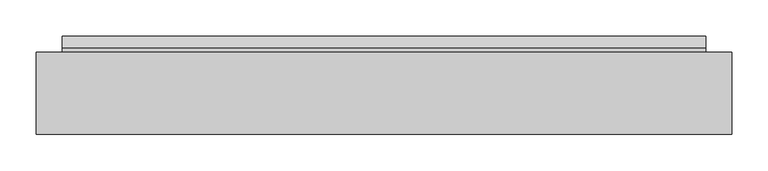
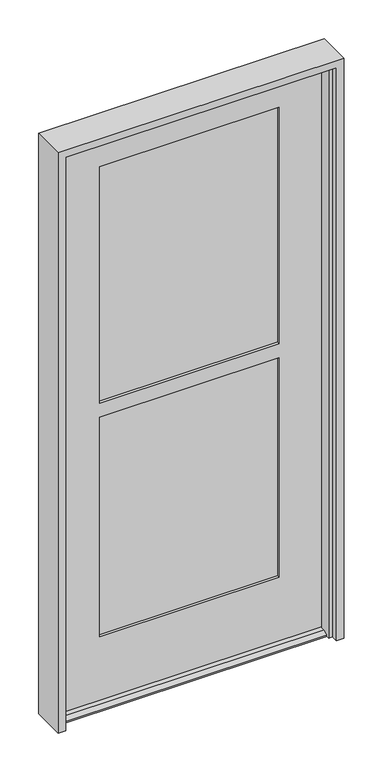
"""IFC4 building model written with IfcOpenShell, lengths in millimetres: plate geometry."""

from ifc_helpers import new_model, si_unit, frame, origin, place, context, project, spatial, polyline, outline, extrude, faceted_brep, source, transform, mapped, element, save


def plate_fd8e942f(model_context):
    return source(origin(), model_context, "Body", "SolidModel", [
        extrude(outline(polyline([(310.1287258, -30.1625), (310.1287258, -36.4617), (-309.8853658, -36.4617), (-309.8853658, -30.1625), (310.1287258, -30.1625)])), frame((0.0, 0.0, 1066.00625), z_axis=(0.0, 0.0, 1.0), x_axis=(1.0, 0.0, 0.0)), (0.0, 0.0, 1.0), 858.04375),
        extrude(outline(polyline([(310.1287258, -49.2633), (310.1287258, -55.5625), (-309.8853658, -55.5625), (-309.8853658, -49.2633), (310.1287258, -49.2633)])), frame((0.0, 0.0, 1066.00625), z_axis=(0.0, 0.0, 1.0), x_axis=(1.0, 0.0, 0.0)), (0.0, 0.0, 1.0), 858.04375),
        extrude(outline(polyline([(310.1287258, -30.1625), (310.1287258, -36.4617), (-309.8853658, -36.4617), (-309.8853658, -30.1625), (310.1287258, -30.1625)])), frame((0.0, 0.0, 232.56875), z_axis=(0.0, 0.0, 1.0), x_axis=(1.0, 0.0, 0.0)), (0.0, 0.0, 1.0), 796.925),
        extrude(outline(polyline([(310.1287258, -49.2633), (310.1287258, -55.5625), (-309.8853658, -55.5625), (-309.8853658, -49.2633), (310.1287258, -49.2633)])), frame((0.0, 0.0, 232.56875), z_axis=(0.0, 0.0, 1.0), x_axis=(1.0, 0.0, 0.0)), (0.0, 0.0, 1.0), 796.925),
        faceted_brep([(446.2663758, -65.0875, 2037.55625), (449.0349758, -20.6375, 2037.55625), (-448.7916158, -20.6375, 2037.55625), (-446.0230158, -65.0875, 2037.55625), (449.0349758, -20.6375, 0.0), (446.2663758, -65.0875, 0.0), (446.2663758, -98.4250908, 0.0), (-446.0230158, -98.4250908, 0.0), (-446.0230158, -65.0875, 0.0), (-448.7916158, -20.6375, 0.0), (-446.0230158, -20.6375, 0.0), (-446.0230158, 3.175, 0.0), (446.2663758, 3.175, 0.0), (446.2663758, -20.6375, 0.0), (302.9849758, -30.1625, 1916.90625), (302.9849758, -20.6375, 1916.90625), (302.9849758, -20.6375, 1073.15), (302.9849758, -30.1625, 1073.15), (302.9849758, -20.6375, 239.7125), (302.9849758, -30.1625, 239.7125), (302.9849758, -30.1625, 1022.35), (302.9849758, -20.6375, 1022.35), (310.1287258, -30.1625, 1924.05), (-309.8853658, -30.1625, 1924.05), (-309.8853658, -30.1625, 1066.00625), (310.1287258, -30.1625, 1066.00625), (-302.7416158, -30.1625, 1916.90625), (-302.7416158, -30.1625, 1073.15), (-309.8853658, -30.1625, 232.56875), (310.1287258, -30.1625, 232.56875), (310.1287258, -30.1625, 1029.49375), (-309.8853658, -30.1625, 1029.49375), (-302.7416158, -30.1625, 239.7125), (-302.7416158, -30.1625, 1022.35), (310.1287258, -55.5625, 232.56875), (310.1287258, -55.5625, 1029.49375), (310.1287258, -55.5625, 1066.00625), (310.1287258, -55.5625, 1924.05), (-309.8853658, -55.5625, 1924.05), (-309.8853658, -55.5625, 1066.00625), (302.9849758, -55.5625, 1916.90625), (-302.7416158, -55.5625, 1916.90625), (-302.7416158, -55.5625, 1073.15), (302.9849758, -55.5625, 1073.15), (-309.8853658, -55.5625, 232.56875), (-309.8853658, -55.5625, 1029.49375), (-302.7416158, -55.5625, 239.7125), (302.9849758, -55.5625, 239.7125), (302.9849758, -55.5625, 1022.35), (-302.7416158, -55.5625, 1022.35), (302.9849758, -65.0875, 1916.90625), (302.9849758, -65.0875, 1073.15), (302.9849758, -65.0875, 239.7125), (302.9849758, -65.0875, 1022.35), (446.2663758, -65.0875, 12.7), (-446.0230158, -65.0875, 12.7), (-302.7416158, -65.0875, 1916.90625), (-302.7416158, -65.0875, 1073.15), (-302.7416158, -65.0875, 239.7125), (-302.7416158, -65.0875, 1022.35), (446.2663758, -20.6375, 12.7), (-446.0230158, -20.6375, 12.7), (-302.7416158, -20.6375, 1022.35), (-302.7416158, -20.6375, 239.7125), (-302.7416158, -20.6375, 1916.90625), (-302.7416158, -20.6375, 1073.15), (446.2663758, -81.7372454, 12.7), (446.2663758, -98.4250908, 4.9183299), (446.2663758, 3.175, 4.9183299), (446.2663758, -13.5128454, 12.7), (-446.0230158, -13.5128454, 12.7), (-446.0230158, 3.175, 4.9183299), (-446.0230158, -98.4250908, 4.9183299), (-446.0230158, -81.7372454, 12.7)], [[[0, 1, 2, 3]], [[4, 5, 6, 7, 8, 9, 10, 11, 12, 13]], [[14, 15, 16, 17]], [[18, 19, 20, 21]], [[22, 23, 24, 25], [26, 14, 17, 27]], [[28, 29, 30, 31], [19, 32, 33, 20]], [[30, 29, 34, 35]], [[36, 37, 22, 25]], [[38, 37, 36, 39], [40, 41, 42, 43]], [[34, 44, 45, 35], [46, 47, 48, 49]], [[50, 40, 43, 51]], [[47, 52, 53, 48]], [[54, 0, 3, 55], [56, 50, 51, 57], [58, 59, 53, 52]], [[1, 4, 13, 60, 61, 10, 9, 2], [18, 21, 62, 63], [15, 64, 65, 16]], [[15, 14, 26, 64]], [[22, 37, 38, 23]], [[40, 50, 56, 41]], [[54, 66, 67, 6, 5]], [[12, 68, 69, 60, 13]], [[61, 70, 71, 11, 10]], [[7, 72, 73, 55, 8]], [[19, 18, 63, 32]], [[34, 29, 28, 44]], [[52, 47, 46, 58]], [[66, 54, 55, 73]], [[60, 69, 70, 61]], [[41, 56, 57, 42]], [[58, 46, 49, 59]], [[24, 23, 38, 39]], [[45, 44, 28, 31]], [[64, 26, 27, 65]], [[32, 63, 62, 33]], [[16, 65, 27, 17]], [[39, 36, 25, 24]], [[43, 42, 57, 51]], [[49, 48, 53, 59]], [[35, 45, 31, 30]], [[62, 21, 20, 33]], [[67, 66, 73, 72]], [[6, 67, 72, 7]], [[68, 12, 11, 71]], [[69, 68, 71, 70]], [[1, 0, 54, 5, 4]], [[3, 2, 9, 8, 55]]]),
        faceted_brep([(-482.6, -133.35, 2070.1), (-482.6, -19.05, 2070.1), (-482.6, -19.05, 0.0), (-482.6, -133.35, 0.0), (482.6, -19.05, 2070.1), (482.6, -133.35, 2070.1), (482.6, -133.35, 0.0), (482.6, -19.05, 0.0), (444.5, -110.363, 0.0), (457.2, -110.363, 0.0), (457.2, -110.363, 2044.7), (-457.2, -110.363, 2044.7), (-457.2, -110.363, 0.0), (-444.5, -110.363, 0.0), (-444.5, -110.363, 2032.0), (444.5, -110.363, 2032.0), (457.2, -133.35, 2044.7), (-457.2, -133.35, 2044.7), (-457.2, -133.35, 0.0), (457.2, -133.35, 0.0), (457.2, -19.05, 0.0), (457.2, -19.05, 2044.7), (-457.2, -19.05, 2044.7), (-457.2, -19.05, 0.0), (457.2, -69.088, 2044.7), (-457.2, -69.088, 2044.7), (457.2, -69.088, 0.0), (444.5, -69.088, 0.0), (444.5, -69.088, 2032.0), (-444.5, -69.088, 2032.0), (-444.5, -69.088, 0.0), (-457.2, -69.088, 0.0)], [[[0, 1, 2, 3]], [[4, 5, 6, 7]], [[8, 9, 10, 11, 12, 13, 14, 15]], [[11, 10, 16, 17]], [[0, 3, 18, 17, 16, 19, 6, 5]], [[4, 1, 0, 5]], [[2, 1, 4, 7, 20, 21, 22, 23]], [[21, 24, 25, 22]], [[26, 27, 28, 29, 30, 31, 25, 24]], [[28, 15, 14, 29]], [[27, 26, 20, 7, 6, 19, 9, 8]], [[20, 26, 24, 21]], [[9, 19, 16, 10]], [[27, 8, 15, 28]], [[30, 13, 12, 18, 3, 2, 23, 31]], [[13, 30, 29, 14]], [[18, 12, 11, 17]], [[25, 31, 23, 22]]]),
    ])


if __name__ == "__main__":
    model = new_model("IFC4")
    model_context = context("Model", 3, world=origin())
    ifc_project = project(units=[si_unit("LENGTHUNIT", "METRE", prefix="MILLI")], contexts=[model_context])
    site = spatial("IfcSite", under=ifc_project)
    building = spatial("IfcBuilding", under=site)
    placement = place(None, origin())
    plate_shape = plate_fd8e942f(model_context)
    element("IfcPlate", 1, at=placement, inside=building, context=model_context, shape_type="MappedRepresentation", body=[
        mapped(plate_shape, transform((0.0, 0.0, 0.0), x_axis=(1.0, 0.0, 0.0), y_axis=(0.0, 1.0, 0.0), z_axis=(0.0, 0.0, 1.0))),
    ])
    save(model, "model.ifc")
